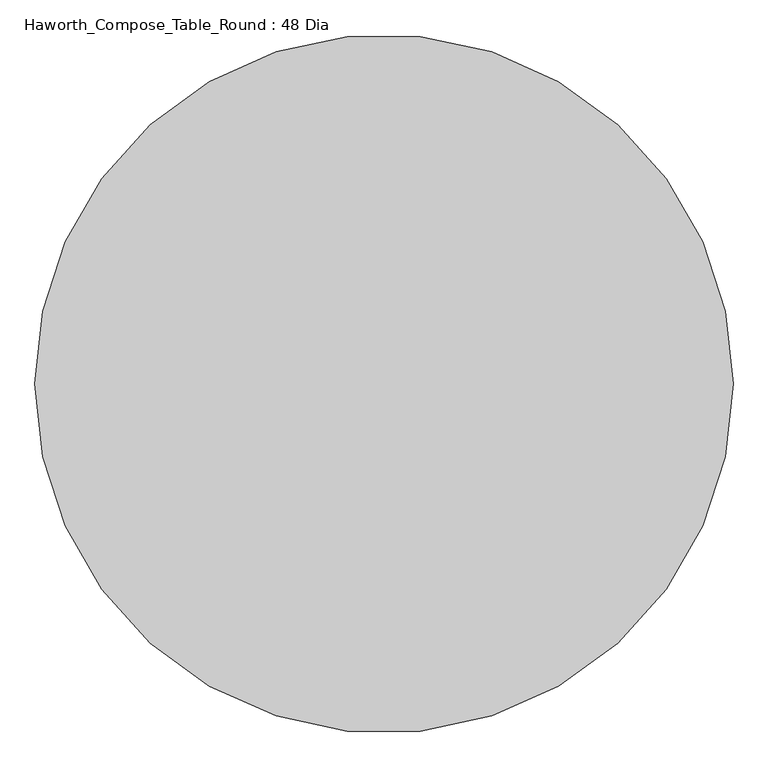
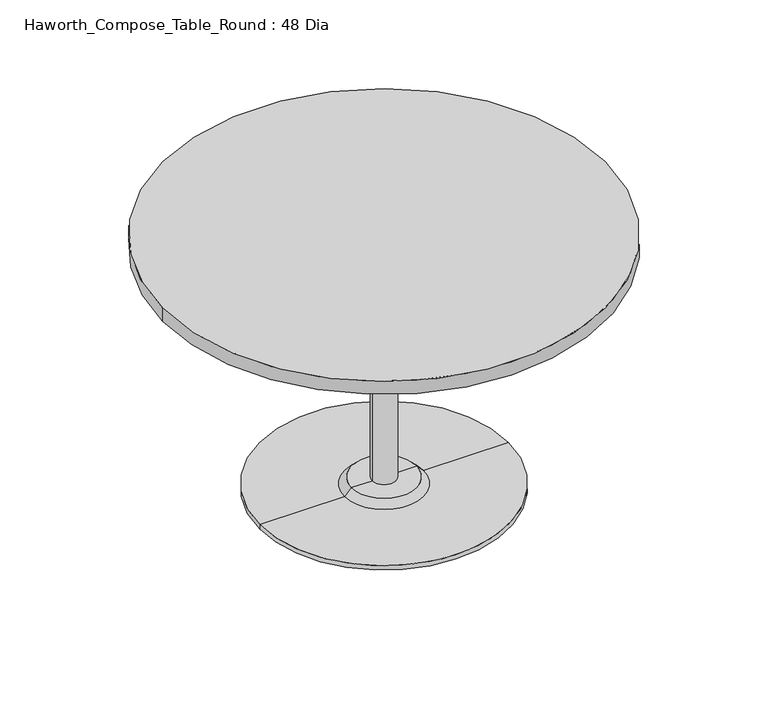
"""IFC4 building model written with IfcOpenShell, lengths in millimetres: furniture geometry, Haworth_Compose_Table_Round : 48 Dia."""

from ifc_helpers import new_model, si_unit, point, frame, frame_2d, origin, place, context, project, spatial, polyline, circle_curve, trimmed, segment, composite_curve, outline, extrude, source, transform, mapped, element, save
from ifc_brep_helpers import plane_surface, cylinder_surface, revolved_surface, advanced_brep


def haworth_compose_table_round_48_dia_9ace469d(model_context):
    return source(origin(), model_context, "Body", "SolidModel", [
        advanced_brep(
        [(32.573978, 139.7, 698.5), (-32.573978, 139.7, 698.5), (0.0, 139.7, 698.5), (32.573978, 139.7, 31.75), (-32.573978, 139.7, 31.75), (89.723978, 139.7, 31.75), (-89.723978, 139.7, 31.75), (342.9, 139.7, 0.0), (-342.9, 139.7, 0.0), (-342.9, 139.7, 12.7), (342.9, 139.7, 12.7), (0.0, 139.7, 0.0), (108.773978, 139.7, 12.7), (-108.773978, 139.7, 12.7)],
        [
            (0, 1, circle_curve(frame((0.0, 139.7, 698.5), z_axis=(0.0, 0.0, 1.0), x_axis=(-1.0, 0.0, 0.0)), 32.573978)),
            (1, 2),
            (2, 0),
            (1, 0, circle_curve(frame((0.0, 139.7, 698.5), z_axis=(0.0, 0.0, 1.0), x_axis=(-1.0, 0.0, 0.0)), 32.573978)),
            (3, 4, circle_curve(frame((0.0, 139.7, 31.75), z_axis=(0.0, 0.0, 1.0), x_axis=(-1.0, 0.0, 0.0)), 32.573978)),
            (4, 1),
            (0, 3),
            (4, 3, circle_curve(frame((0.0, 139.7, 31.75), z_axis=(0.0, 0.0, 1.0), x_axis=(-1.0, 0.0, 0.0)), 32.573978)),
            (5, 6, circle_curve(frame((0.0, 139.7, 31.75), z_axis=(0.0, 0.0, 1.0), x_axis=(-1.0, 0.0, 0.0)), 89.723978)),
            (6, 4),
            (3, 5),
            (6, 5, circle_curve(frame((0.0, 139.7, 31.75), z_axis=(0.0, 0.0, 1.0), x_axis=(-1.0, 0.0, 0.0)), 89.723978)),
            (7, 8, circle_curve(frame((0.0, 139.7, 0.0), z_axis=(0.0, 0.0, 1.0), x_axis=(-1.0, 0.0, 0.0)), 342.9)),
            (8, 9),
            (9, 10, circle_curve(frame((0.0, 139.7, 12.7), z_axis=(0.0, 0.0, -1.0), x_axis=(-1.0, 0.0, 0.0)), 342.9)),
            (10, 7),
            (8, 7, circle_curve(frame((0.0, 139.7, 0.0), z_axis=(0.0, 0.0, 1.0), x_axis=(-1.0, 0.0, 0.0)), 342.9)),
            (10, 9, circle_curve(frame((0.0, 139.7, 12.7), z_axis=(0.0, 0.0, -1.0), x_axis=(-1.0, 0.0, 0.0)), 342.9)),
            (11, 8),
            (7, 11),
            (12, 13, circle_curve(frame((0.0, 139.7, 12.7), z_axis=(0.0, 0.0, 1.0), x_axis=(-1.0, 0.0, 0.0)), 108.773978)),
            (13, 6),
            (5, 12),
            (13, 12, circle_curve(frame((0.0, 139.7, 12.7), z_axis=(0.0, 0.0, 1.0), x_axis=(-1.0, 0.0, 0.0)), 108.773978)),
            (9, 13),
            (12, 10),
        ],
        [
            plane_surface(frame((0.0, 139.7, 698.5), z_axis=(0.0, 0.0, 1.0), x_axis=(-1.0, 0.0, 0.0))),
            cylinder_surface(frame((0.0, 139.7, 881.685757), z_axis=(0.0, 0.0, -1.0), x_axis=(-1.0, 0.0, 0.0)), 32.573978),
            plane_surface(frame((0.0, 139.7, 31.75), z_axis=(0.0, 0.0, 1.0), x_axis=(-1.0, 0.0, 0.0))),
            cylinder_surface(frame((0.0, 139.7, 881.685757), z_axis=(0.0, 0.0, -1.0), x_axis=(-1.0, 0.0, 0.0)), 342.9),
            plane_surface(frame((0.0, 139.7, 0.0), z_axis=(0.0, 0.0, -1.0), x_axis=(-1.0, 0.0, 0.0))),
            revolved_surface(polyline([(-89.723978, 139.7, 31.75), (-108.773978, 139.7, 12.7)]), (0.0, 139.7, 881.685757), (0.0, 0.0, -1.0)),
            plane_surface(frame((0.0, 139.7, 12.7), z_axis=(0.0, 0.0, 1.0), x_axis=(-1.0, 0.0, 0.0))),
        ],
        [
            (0, [[1, 2, 3]]),
            (0, [[4, -3, -2]]),
            (1, [[5, 6, -1, 7]]),
            (1, [[8, -7, -4, -6]]),
            (2, [[9, 10, -5, 11]]),
            (2, [[12, -11, -8, -10]]),
            (3, [[13, 14, 15, 16]]),
            (3, [[17, -16, 18, -14]]),
            (4, [[19, -13, 20]]),
            (4, [[-20, -17, -19]]),
            (5, [[21, 22, -9, 23]]),
            (5, [[24, -23, -12, -22]]),
            (6, [[-15, 25, -21, 26]]),
            (6, [[-18, -26, -24, -25]]),
        ],
    ),
        extrude(outline(composite_curve([segment(trimmed(circle_curve(frame_2d((0.0, 139.7)), 609.6), [point((-609.6, 139.7))], [point((609.6, 139.7))], False, "CARTESIAN"), True, "CONTINUOUS"), segment(trimmed(circle_curve(frame_2d((0.0, 139.7)), 609.6), [point((609.6, 139.7))], [point((-609.6, 139.7))], False, "CARTESIAN"), True, "CONTINUOUS")], self_intersect=False)), frame((0.0, 0.0, 698.5), z_axis=(0.0, 0.0, 1.0), x_axis=(1.0, 0.0, 0.0)), (0.0, 0.0, 1.0), 38.1),
    ])


if __name__ == "__main__":
    model = new_model("IFC4")
    model_context = context("Model", 3, world=origin())
    ifc_project = project(units=[si_unit("LENGTHUNIT", "METRE", prefix="MILLI")], contexts=[model_context])
    site = spatial("IfcSite", under=ifc_project)
    building = spatial("IfcBuilding", under=site)
    placement = place(None, origin())
    haworth_compose_table_round_48_dia_shape = haworth_compose_table_round_48_dia_9ace469d(model_context)
    element("IfcFurniture", 1, ObjectType="Haworth_Compose_Table_Round : 48 Dia", at=placement, inside=building, context=model_context, shape_type="MappedRepresentation", body=[
        mapped(haworth_compose_table_round_48_dia_shape, transform((0.0, 0.0, 0.0), x_axis=(1.0, 0.0, 0.0), y_axis=(0.0, 1.0, 0.0), z_axis=(0.0, 0.0, 1.0))),
    ])
    save(model, "model.ifc")
